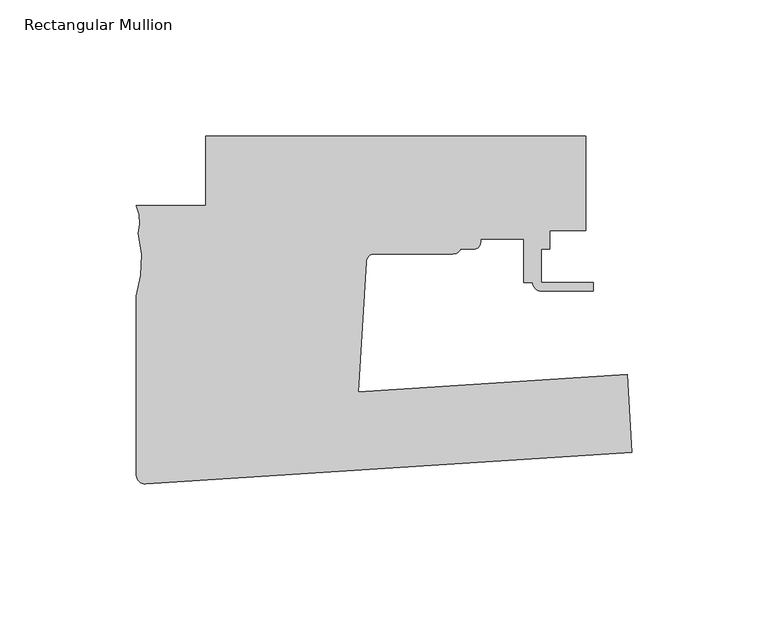
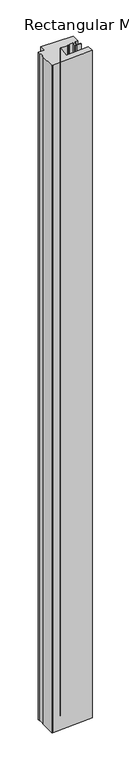
"""IFC4 building model written with IfcOpenShell, lengths in millimetres: member geometry, Rectangular Mullion."""

import ifcopenshell
import ifcopenshell.guid

model = None  # the IFC model being written
_history = None  # IfcOwnerHistory: only IFC2X3 demands one
_inside = {}  # id of a spatial element -> (the spatial element, [elements in it])
_under = {}  # id of a project, library or spatial element -> (it, [spatial elements below it])
_declared = {}  # id of a project -> (the project, [libraries it declares])
_typed = {}  # id of a type object -> (the type object, [elements of that type])
_made_of = {}  # id of a material, layer set ... -> (it, [elements and type objects made of it])


def new_model(schema):
    """Start an empty IFC model of exactly this schema.

    Asked for "IFC4X3", IfcOpenShell would pick the latest addendum, in which some entities
    have other attributes; the version numbers below select the first issue.
    IFC2X3 requires an IfcOwnerHistory on every rooted entity: one is made here for all.
    """
    global model, _history
    if schema == "IFC4X3":
        model = ifcopenshell.file(schema_version=(4, 3, 0, 0))
    else:
        model = ifcopenshell.file(schema=schema)
    _inside.clear()
    _under.clear()
    _declared.clear()
    _typed.clear()
    _made_of.clear()
    _history = None
    if model.schema == "IFC2X3":
        org = make("IfcOrganization", Name="unknown")
        user = make(
            "IfcPersonAndOrganization",
            ThePerson=make("IfcPerson", FamilyName="unknown"),
            TheOrganization=org,
        )
        app = make(
            "IfcApplication",
            ApplicationDeveloper=org,
            Version="unknown",
            ApplicationFullName="unknown",
            ApplicationIdentifier="unknown",
        )
        _history = make(
            "IfcOwnerHistory",
            OwningUser=user,
            OwningApplication=app,
            ChangeAction="ADDED",
            CreationDate=0,
        )
    return model


def make(cls, **values):
    """One entity of the class cls with the attributes given. An attribute that is None is left unset."""
    return model.create_entity(
        cls, **{name: value for name, value in values.items() if value is not None}
    )


def rooted(cls, **values):
    """An entity with a GlobalId (a new one), such as an element, a storey or a relation."""
    return make(cls, GlobalId=ifcopenshell.guid.new(), OwnerHistory=_history, **values)


def si_unit(unit_type, name, prefix=None):
    """IfcSIUnit, for example si_unit("LENGTHUNIT", "METRE", prefix="MILLI")."""
    return make("IfcSIUnit", UnitType=unit_type, Prefix=prefix, Name=name)


def assignment(units):
    """IfcUnitAssignment: the units of a project."""
    return None if units is None else make("IfcUnitAssignment", Units=units)


def point(xyz):
    """IfcCartesianPoint."""
    return None if xyz is None else make("IfcCartesianPoint", Coordinates=xyz)


def direction(xyz):
    """IfcDirection."""
    return None if xyz is None else make("IfcDirection", DirectionRatios=xyz)


def frame(location, z_axis=None, x_axis=None):
    """IfcAxis2Placement3D, a coordinate frame: its origin and axes. An axis left out is left unset."""
    return make(
        "IfcAxis2Placement3D",
        Location=point(location),
        Axis=direction(z_axis),
        RefDirection=direction(x_axis),
    )


def frame_2d(location, x_axis=None):
    """IfcAxis2Placement2D, a coordinate frame in the plane: its origin and x axis."""
    return make(
        "IfcAxis2Placement2D", Location=point(location), RefDirection=direction(x_axis)
    )


def origin():
    """The frame at (0, 0, 0) with its axes left unset."""
    return frame((0.0, 0.0, 0.0))


def place(relative_to, where):
    """IfcLocalPlacement: puts the frame where relative to a parent placement (None: the world)."""
    return make(
        "IfcLocalPlacement", PlacementRelTo=relative_to, RelativePlacement=where
    )


def context(
    kind, dimensions, precision=None, world=None, true_north=None, identifier=None
):
    """IfcGeometricRepresentationContext, for example the 3D "Model" context."""
    return make(
        "IfcGeometricRepresentationContext",
        ContextIdentifier=identifier,
        ContextType=kind,
        CoordinateSpaceDimension=dimensions,
        Precision=precision,
        WorldCoordinateSystem=world,
        TrueNorth=true_north,
    )


def project(units=None, contexts=None):
    """IfcProject with its units and contexts."""
    return rooted(
        "IfcProject",
        Name="project",
        RepresentationContexts=contexts,
        UnitsInContext=assignment(units),
    )


def spatial(cls, under=None, at=None, **own):
    """A site, building, storey or space (cls), placed at a placement, below another one or the project."""
    s = rooted(cls, ObjectPlacement=at, **own)
    if under is not None:
        _under.setdefault(under.id(), (under, []))[1].append(s)
    return s


def polyline(points):
    """IfcPolyline through the points."""
    return make("IfcPolyline", Points=[point(p) for p in points])


def circle_curve(where, radius):
    """IfcCircle in the frame where."""
    return make("IfcCircle", Position=where, Radius=radius)


def trimmed(basis, trim1, trim2, sense, master):
    """IfcTrimmedCurve: the piece of a basis curve between two trims."""
    return make(
        "IfcTrimmedCurve",
        BasisCurve=basis,
        Trim1=trim1,
        Trim2=trim2,
        SenseAgreement=sense,
        MasterRepresentation=master,
    )


def segment(curve, same_sense, transition):
    """IfcCompositeCurveSegment."""
    return make(
        "IfcCompositeCurveSegment",
        Transition=transition,
        SameSense=same_sense,
        ParentCurve=curve,
    )


def composite_curve(segments, self_intersect=None):
    """IfcCompositeCurve: segments joined end to end."""
    return make("IfcCompositeCurve", Segments=segments, SelfIntersect=self_intersect)


def outline(outer, holes=None, kind="AREA"):
    """IfcArbitraryClosedProfileDef: a profile drawn as a closed curve; with holes, ...WithVoids."""
    if holes is None:
        return make("IfcArbitraryClosedProfileDef", ProfileType=kind, OuterCurve=outer)
    return make(
        "IfcArbitraryProfileDefWithVoids",
        ProfileType=kind,
        OuterCurve=outer,
        InnerCurves=holes,
    )


def extrude(swept, where, along, depth):
    """IfcExtrudedAreaSolid: the profile swept, set in the frame where, extruded along a direction by depth."""
    return make(
        "IfcExtrudedAreaSolid",
        SweptArea=swept,
        Position=where,
        ExtrudedDirection=direction(along),
        Depth=depth,
    )


def shape(context_of_items, identifier, shape_type, items):
    """IfcShapeRepresentation: the items that make up one representation, for example the "Body"."""
    return make(
        "IfcShapeRepresentation",
        ContextOfItems=context_of_items,
        RepresentationIdentifier=identifier,
        RepresentationType=shape_type,
        Items=items,
    )


def source(mapping_origin, context_of_items, identifier, shape_type, items):
    """IfcRepresentationMap: a shape defined once, which mapped items show again and again."""
    return make(
        "IfcRepresentationMap",
        MappingOrigin=mapping_origin,
        MappedRepresentation=shape(context_of_items, identifier, shape_type, items),
    )


def transform(
    local_origin,
    x_axis=None,
    y_axis=None,
    z_axis=None,
    scale=None,
    scale2=None,
    scale3=None,
    uniform=True,
):
    """IfcCartesianTransformationOperator3D, or its non-uniform kind. x_axis, y_axis, z_axis: its Axis1, 2, 3."""
    if uniform:
        return make(
            "IfcCartesianTransformationOperator3D",
            Axis1=direction(x_axis),
            Axis2=direction(y_axis),
            LocalOrigin=point(local_origin),
            Scale=scale,
            Axis3=direction(z_axis),
        )
    return make(
        "IfcCartesianTransformationOperator3DnonUniform",
        Axis1=direction(x_axis),
        Axis2=direction(y_axis),
        LocalOrigin=point(local_origin),
        Scale=scale,
        Axis3=direction(z_axis),
        Scale2=scale2,
        Scale3=scale3,
    )


def mapped(mapping_source, mapping_target):
    """IfcMappedItem: shows the shape of a source again, moved by a transform."""
    return make(
        "IfcMappedItem", MappingSource=mapping_source, MappingTarget=mapping_target
    )


def made_of(thing, what):
    """Note that an element or type object is made of a material, layer set ...; save() writes the relation."""
    if what is not None:
        _made_of.setdefault(what.id(), (what, []))[1].append(thing)
    return thing


def element(
    cls,
    number,
    at=None,
    inside=None,
    cuts=None,
    type_object=None,
    material=None,
    context=None,
    identifier="Body",
    shape_type=None,
    held_by="IfcProductDefinitionShape",
    body=None,
    shapes=None,
    **own,
):
    """One element of the class cls, such as IfcWall. Its Tag is "e" and its number.

    at: its placement. inside: the storey or other place that contains it. cuts: it is an
    opening in that element (IfcRelVoidsElement). A single representation is given by context,
    identifier, shape_type and body (its items); several are given by shapes. held_by: the class
    of the entity that holds the representations. save() writes the other relations.
    """
    e = rooted(cls, Tag="e%d" % number, ObjectPlacement=at, **own)
    if body is not None:
        shapes = [shape(context, identifier, shape_type, body)]
    if shapes is not None:
        e.Representation = make(held_by, Representations=shapes)
    if inside is not None:
        _inside.setdefault(inside.id(), (inside, []))[1].append(e)
    if cuts is not None:
        rooted(
            "IfcRelVoidsElement", RelatingBuildingElement=cuts, RelatedOpeningElement=e
        )
    if type_object is not None:
        _typed.setdefault(type_object.id(), (type_object, []))[1].append(e)
    return made_of(e, material)


def aggregate(whole, parts):
    """IfcRelAggregates: a whole, such as a stair, and the parts it consists of."""
    return rooted("IfcRelAggregates", RelatingObject=whole, RelatedObjects=parts)


def save(model, path):
    """Write the relations noted so far, then the file.

    IfcRelAggregates (storeys below a building ...), IfcRelContainedInSpatialStructure (elements
    in a storey), IfcRelDefinesByType, IfcRelAssociatesMaterial and IfcRelDeclares: one each for
    every whole, place, type object, material and project.
    """
    for whole, parts in _under.values():
        aggregate(whole, parts)
    for where, things in _inside.values():
        rooted(
            "IfcRelContainedInSpatialStructure",
            RelatedElements=things,
            RelatingStructure=where,
        )
    for kind, things in _typed.values():
        rooted("IfcRelDefinesByType", RelatedObjects=things, RelatingType=kind)
    for what, things in _made_of.values():
        rooted("IfcRelAssociatesMaterial", RelatedObjects=things, RelatingMaterial=what)
    for by, libraries in _declared.values():
        rooted("IfcRelDeclares", RelatingContext=by, RelatedDefinitions=libraries)
    model.write(path)


def rectangular_mullion_f054d7bd(model_context):
    return source(origin(), model_context, "Body", "SweptSolid", [
        extrude(outline(composite_curve([segment(polyline([(0.0, -52.206468), (-178.0946835, -63.7382217)]), True, "CONTINUOUS"), segment(trimmed(circle_curve(frame_2d((-178.2998373, -60.5698567)), 3.175), [point((-178.0946835, -63.7382217))], [point((-181.4748373, -60.5698567))], False, "CARTESIAN"), True, "CONTINUOUS"), segment(polyline([(-181.4748373, -60.5698567), (-181.4748373, 5.1819958)]), True, "CONTINUOUS"), segment(trimmed(circle_curve(frame_2d((-222.4899592, 17.9265881)), 42.9495617), [point((-181.4748373, 5.1819958))], [point((-180.7539172, 28.0640261))], True, "CARTESIAN"), True, "CONTINUOUS"), segment(trimmed(circle_curve(frame_2d((-197.0079173, 32.0899831)), 16.7451739), [point((-180.7539172, 28.0640261))], [point((-181.4748373, 38.3449234))], True, "CARTESIAN"), True, "CONTINUOUS"), segment(polyline([(-181.4748373, 38.3449234), (-156.074902, 38.3449234), (-156.0743848, 63.7448101), (-16.8828373, 63.7448101), (-16.8828373, 29.2536992), (-29.9266365, 29.2536992), (-29.9266365, 22.3956995), (-33.1016365, 22.3956995), (-33.1016365, 10.1931787), (-14.0516365, 10.1931787), (-14.0516365, 7.0181787), (-33.1016365, 7.0181787)]), True, "CONTINUOUS"), segment(trimmed(circle_curve(frame_2d((-33.1016365, 10.1931787)), 3.175), [point((-33.1016365, 7.0181787))], [point((-36.2766191, 10.2036992))], False, "CARTESIAN"), True, "CONTINUOUS"), segment(polyline([(-36.2766191, 10.2036992), (-39.4516365, 10.2036992), (-39.4516365, 26.0786992), (-55.3266365, 26.0786992), (-55.3266365, 24.9356994)]), True, "CONTINUOUS"), segment(trimmed(circle_curve(frame_2d((-57.8666364, 24.9356994)), 2.5399999), [point((-55.3266365, 24.9356994))], [point((-57.8666364, 22.3956995))], False, "CARTESIAN"), True, "CONTINUOUS"), segment(polyline([(-57.8666364, 22.3956995), (-62.5975813, 22.3956995)]), True, "CONTINUOUS"), segment(trimmed(circle_curve(frame_2d((-65.4487244, 23.7926992)), 3.175), [point((-62.5975813, 22.3956995))], [point((-65.4487244, 20.6176992))], False, "CARTESIAN"), True, "CONTINUOUS"), segment(polyline([(-65.4487244, 20.6176992), (-94.1602116, 20.6176992)]), True, "CONTINUOUS"), segment(trimmed(circle_curve(frame_2d((-94.1602116, 17.4426992)), 3.175), [point((-94.1602116, 20.6176992))], [point((-97.3310141, 17.6059059))], True, "CARTESIAN"), True, "CONTINUOUS"), segment(polyline([(-97.3310141, 17.6059059), (-100.1741919, -30.0970397), (-1.5002702, -23.5796065), (0.0, -52.206468)]), True, "CONTINUOUS")], self_intersect=False)), frame((0.0, 0.0, -3048.0), z_axis=(0.0, 0.0, 1.0), x_axis=(1.0, 0.0, 0.0)), (0.0, 0.0, 1.0), 3048.0),
    ])


if __name__ == "__main__":
    model = new_model("IFC4")
    model_context = context("Model", 3, world=origin())
    ifc_project = project(units=[si_unit("LENGTHUNIT", "METRE", prefix="MILLI")], contexts=[model_context])
    site = spatial("IfcSite", under=ifc_project)
    building = spatial("IfcBuilding", under=site)
    placement = place(None, origin())
    rectangular_mullion_shape = rectangular_mullion_f054d7bd(model_context)
    element("IfcMember", 1, ObjectType="Rectangular Mullion", at=placement, inside=building, context=model_context, shape_type="MappedRepresentation", body=[
        mapped(rectangular_mullion_shape, transform((0.0, 0.0, 0.0), x_axis=(1.0, 0.0, 0.0), y_axis=(0.0, 1.0, 0.0), z_axis=(0.0, 0.0, 1.0))),
    ])
    save(model, "model.ifc")
